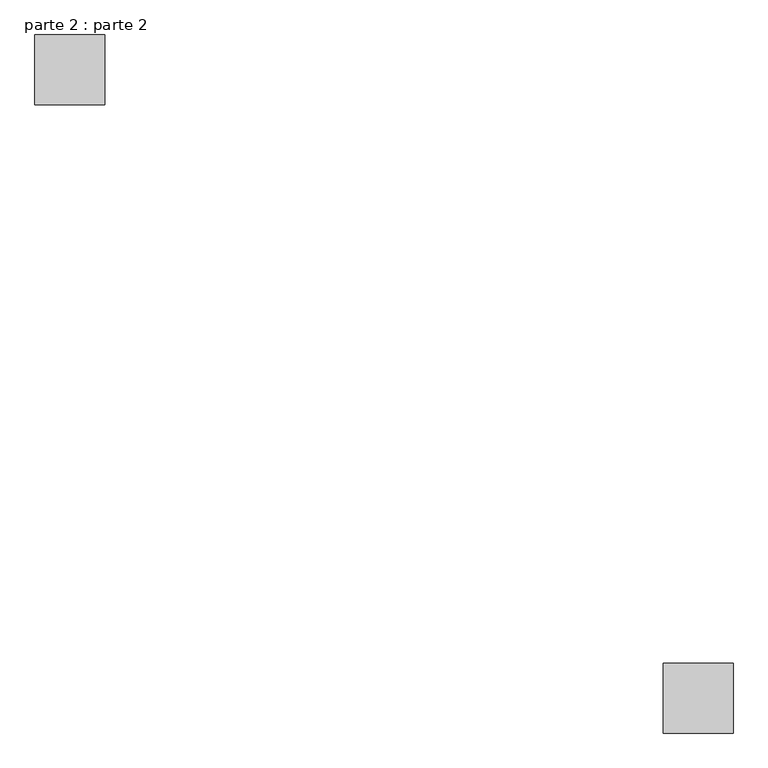
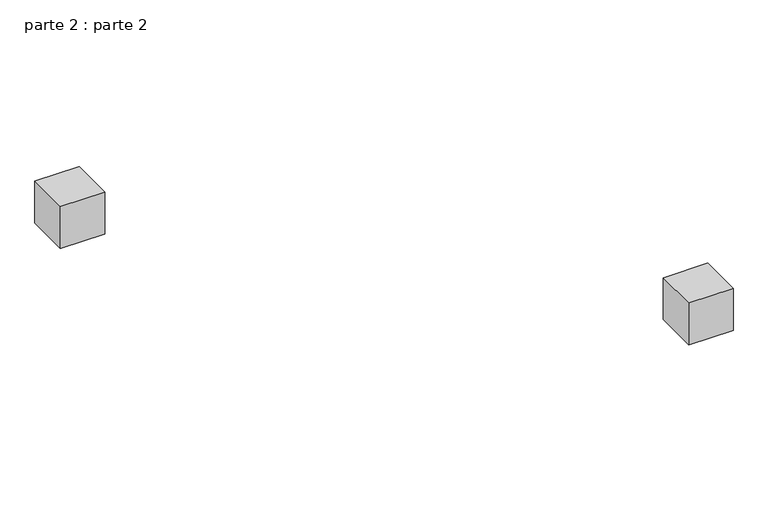
"""IFC4 building model written with IfcOpenShell, lengths in millimetres: proxy geometry, parte 2 : parte 2."""

from ifc_helpers import new_model, si_unit, frame, origin, place, context, project, spatial, polyline, outline, extrude, source, transform, mapped, element, save


def parte_2_parte_2_909b96a8(model_context):
    return source(origin(), model_context, "Body", "SweptSolid", [
        extrude(outline(polyline([(1000.0, 100.0), (1000.0, 0.0), (900.0, 0.0), (900.0, 100.0), (1000.0, 100.0)])), frame((0.0, 0.0, 1200.0), z_axis=(0.0, 0.0, 1.0), x_axis=(1.0, 0.0, 0.0)), (0.0, 0.0, 1.0), 100.0),
        extrude(outline(polyline([(100.0, 1000.0), (100.0, 900.0), (0.0, 900.0), (0.0, 1000.0), (100.0, 1000.0)])), frame((0.0, 0.0, 1200.0), z_axis=(0.0, 0.0, 1.0), x_axis=(1.0, 0.0, 0.0)), (0.0, 0.0, 1.0), 100.0),
    ])


if __name__ == "__main__":
    model = new_model("IFC4")
    model_context = context("Model", 3, world=origin())
    ifc_project = project(units=[si_unit("LENGTHUNIT", "METRE", prefix="MILLI")], contexts=[model_context])
    site = spatial("IfcSite", under=ifc_project)
    building = spatial("IfcBuilding", under=site)
    placement = place(None, origin())
    parte_2_parte_2_shape = parte_2_parte_2_909b96a8(model_context)
    element("IfcBuildingElementProxy", 1, Name="parte 2 : parte 2", ObjectType="parte 2 : parte 2", at=placement, inside=building, context=model_context, shape_type="MappedRepresentation", body=[
        mapped(parte_2_parte_2_shape, transform((0.0, 0.0, 0.0), x_axis=(1.0, 0.0, 0.0), y_axis=(0.0, 1.0, 0.0), z_axis=(0.0, 0.0, 1.0))),
    ])
    save(model, "model.ifc")
